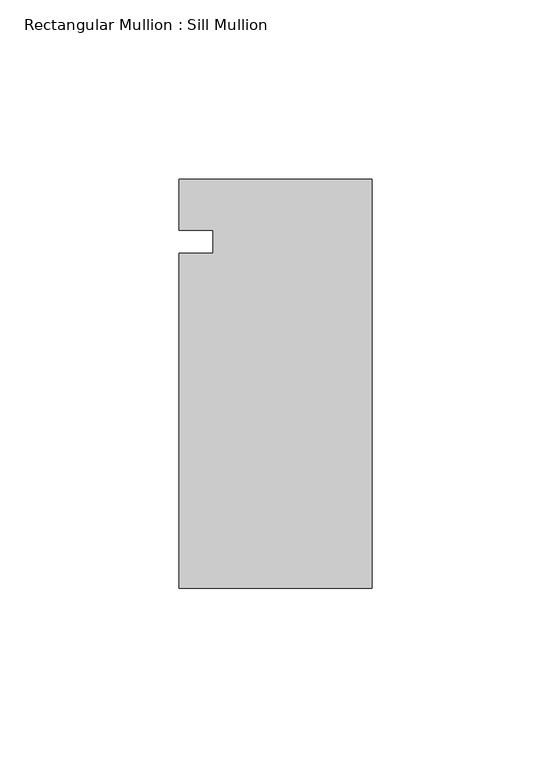
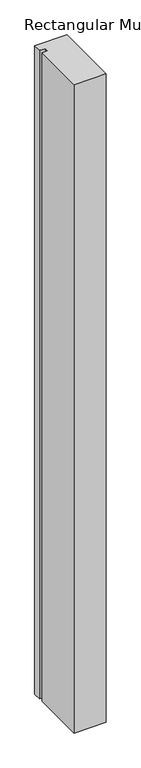
"""IFC4 building model written with IfcOpenShell, lengths in millimetres: member geometry, Rectangular Mullion : Sill Mullion."""

from ifc_helpers import new_model, si_unit, frame, origin, place, context, project, spatial, polyline, outline, extrude, source, transform, mapped, element, save


def rectangular_mullion_sill_mullion_a0625781(model_context):
    return source(origin(), model_context, "Body", "SweptSolid", [
        extrude(outline(polyline([(0.0, -96.7994), (-53.975, -96.7994), (-53.975, -3.175), (-44.4246, -3.175), (-44.4246, 3.175), (-53.975, 3.175), (-53.975, 17.5006), (0.0, 17.5006), (0.0, -96.7994)])), frame((0.0, 0.0, -1152.525), z_axis=(0.0, 0.0, 1.0), x_axis=(1.0, 0.0, 0.0)), (0.0, 0.0, 1.0), 1152.525),
    ])


if __name__ == "__main__":
    model = new_model("IFC4")
    model_context = context("Model", 3, world=origin())
    ifc_project = project(units=[si_unit("LENGTHUNIT", "METRE", prefix="MILLI")], contexts=[model_context])
    site = spatial("IfcSite", under=ifc_project)
    building = spatial("IfcBuilding", under=site)
    placement = place(None, origin())
    rectangular_mullion_sill_mullion_shape = rectangular_mullion_sill_mullion_a0625781(model_context)
    element("IfcMember", 1, ObjectType="Rectangular Mullion : Sill Mullion", at=placement, inside=building, context=model_context, shape_type="MappedRepresentation", body=[
        mapped(rectangular_mullion_sill_mullion_shape, transform((0.0, 0.0, 0.0), x_axis=(1.0, 0.0, 0.0), y_axis=(0.0, 1.0, 0.0), z_axis=(0.0, 0.0, 1.0))),
    ])
    save(model, "model.ifc")
